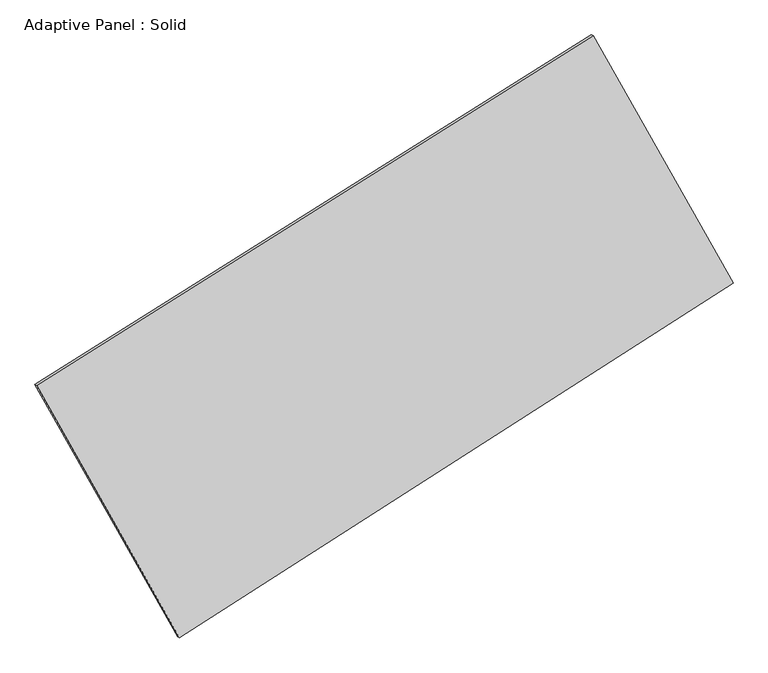
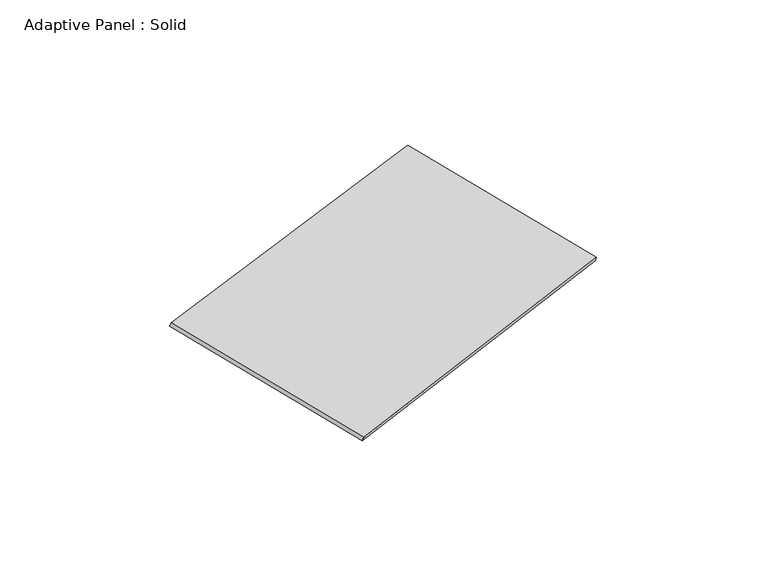
"""IFC4 building model written with IfcOpenShell, lengths in millimetres: plate geometry, Adaptive Panel : Solid."""

from ifc_helpers import new_model, si_unit, frame, origin, place, context, project, spatial, polyline, outline, extrude, source, transform, mapped, element, save


def adaptive_panel_solid_6e257314(model_context):
    return source(origin(), model_context, "Body", "SweptSolid", [
        extrude(outline(polyline([(-1295.5566176, 2941.1872215), (1295.5566176, 2941.1872214), (1320.7488273, -2941.1872215), (-1320.7488273, -2941.1872215), (-1295.5566176, 2941.1872215)])), frame((-650.8226445, -100.0621432, 871.2806301), z_axis=(0.2933271166111765, -0.1276018692868714, 0.9474581603506667), x_axis=(0.4751595301573024, -0.8405144648268984, -0.2603053117349784)), (0.0, 0.0, 1.0), 50.0),
    ])


if __name__ == "__main__":
    model = new_model("IFC4")
    model_context = context("Model", 3, world=origin())
    ifc_project = project(units=[si_unit("LENGTHUNIT", "METRE", prefix="MILLI")], contexts=[model_context])
    site = spatial("IfcSite", under=ifc_project)
    building = spatial("IfcBuilding", under=site)
    placement = place(None, origin())
    adaptive_panel_solid_shape = adaptive_panel_solid_6e257314(model_context)
    element("IfcPlate", 1, ObjectType="Adaptive Panel : Solid", at=placement, inside=building, context=model_context, shape_type="MappedRepresentation", body=[
        mapped(adaptive_panel_solid_shape, transform((0.0, 0.0, 0.0), x_axis=(1.0, 0.0, 0.0), y_axis=(0.0, 1.0, 0.0), z_axis=(0.0, 0.0, 1.0))),
    ])
    save(model, "model.ifc")
